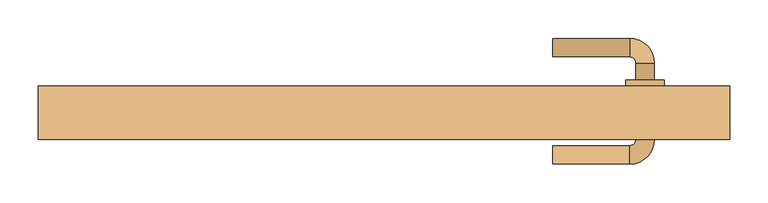
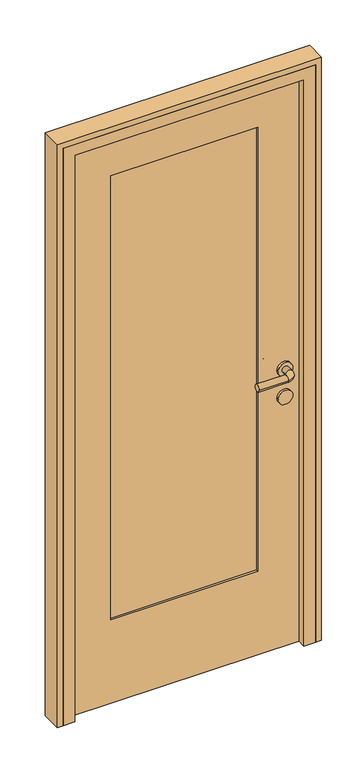
"""IFC4 building model written with IfcOpenShell, lengths in millimetres: door geometry."""

from ifc_helpers import new_model, si_unit, point, frame, frame_2d, origin, place, context, project, spatial, polyline, circle_curve, ellipse_curve, trimmed, segment, composite_curve, outline, extrude, faceted_brep, source, transform, mapped, element, save
from ifc_brep_helpers import plane_surface, cylinder_surface, revolved_surface, advanced_brep


def door_4fcff40a(model_context):
    return source(origin(), model_context, "Body", "SolidModel", [
        advanced_brep(
        [(220.0, 187.0, 1000.0), (220.0, 163.0, 1000.0), (320.0, 163.0, 1000.0), (320.0, 187.0, 1000.0), (328.0, 155.0, 1000.0), (352.0, 155.0, 1000.0), (352.0, 55.0, 1000.0), (352.0, 77.0, 1000.0), (328.0, 77.0, 1000.0), (328.0, 55.0, 1000.0), (328.0, 133.0, 1000.0), (352.0, 133.0, 1000.0), (320.0, 47.0, 1000.0), (320.0, 23.0, 1000.0), (220.0, 23.0, 1000.0), (220.0, 47.0, 1000.0), (365.0, 133.0, 1000.0), (315.0, 133.0, 1000.0), (365.0, 77.0, 1000.0), (315.0, 77.0, 1000.0)],
        [
            (0, 1, circle_curve(frame((220.0, 175.0, 1000.0), z_axis=(-1.0, 0.0, 0.0), x_axis=(0.0, -1.0, 0.0)), 12.0)),
            (1, 0, circle_curve(frame((220.0, 175.0, 1000.0), z_axis=(-1.0, 0.0, 0.0), x_axis=(0.0, -1.0, 0.0)), 12.0)),
            (1, 2),
            (2, 3, circle_curve(frame((320.0, 175.0, 1000.0), z_axis=(-1.0, 0.0, 0.0), x_axis=(0.0, -1.0, 0.0)), 12.0)),
            (3, 0),
            (3, 2, circle_curve(frame((320.0, 175.0, 1000.0), z_axis=(-1.0, 0.0, 0.0), x_axis=(0.0, -1.0, 0.0)), 12.0)),
            (2, 4, circle_curve(frame((320.0, 155.0, 1000.0), z_axis=(0.0, 0.0, -1.0), x_axis=(0.0, 1.0, 0.0)), 8.0)),
            (4, 5, circle_curve(frame((340.0, 155.0, 1000.0), z_axis=(0.0, 1.0, 0.0), x_axis=(-1.0, 0.0, 0.0)), 12.0)),
            (5, 3, circle_curve(frame((320.0, 155.0, 1000.0), z_axis=(0.0, 0.0, 1.0), x_axis=(0.0, 1.0, 0.0)), 32.0)),
            (5, 4, circle_curve(frame((340.0, 155.0, 1000.0), z_axis=(0.0, 1.0, 0.0), x_axis=(-1.0, 0.0, 0.0)), 12.0)),
            (6, 7),
            (7, 8, circle_curve(frame((340.0, 77.0, 1000.0), z_axis=(0.0, -1.0, 0.0), x_axis=(-1.0, 0.0, 0.0)), 12.0)),
            (8, 9),
            (9, 6, circle_curve(frame((340.0, 55.0, 1000.0), z_axis=(0.0, 1.0, 0.0), x_axis=(-1.0, 0.0, 0.0)), 12.0)),
            (4, 10),
            (10, 11, circle_curve(frame((340.0, 133.0, 1000.0), z_axis=(0.0, 1.0, 0.0), x_axis=(-1.0, 0.0, 0.0)), 12.0)),
            (11, 5),
            (11, 10, circle_curve(frame((340.0, 133.0, 1000.0), z_axis=(0.0, 1.0, 0.0), x_axis=(-1.0, 0.0, 0.0)), 12.0)),
            (8, 7, circle_curve(frame((340.0, 77.0, 1000.0), z_axis=(0.0, -1.0, 0.0), x_axis=(-1.0, 0.0, 0.0)), 12.0)),
            (6, 9, circle_curve(frame((340.0, 55.0, 1000.0), z_axis=(0.0, 1.0, 0.0), x_axis=(-1.0, 0.0, 0.0)), 12.0)),
            (9, 12, circle_curve(frame((320.0, 55.0, 1000.0), z_axis=(0.0, 0.0, -1.0), x_axis=(1.0, 0.0, 0.0)), 8.0)),
            (12, 13, circle_curve(frame((320.0, 35.0, 1000.0), z_axis=(1.0, 0.0, 0.0), x_axis=(0.0, 1.0, 0.0)), 12.0)),
            (13, 6, circle_curve(frame((320.0, 55.0, 1000.0), z_axis=(0.0, 0.0, 1.0), x_axis=(1.0, 0.0, 0.0)), 32.0)),
            (13, 12, circle_curve(frame((320.0, 35.0, 1000.0), z_axis=(1.0, 0.0, 0.0), x_axis=(0.0, 1.0, 0.0)), 12.0)),
            (14, 15, circle_curve(frame((220.0, 35.0, 1000.0), z_axis=(-1.0, 0.0, 0.0), x_axis=(0.0, 1.0, 0.0)), 12.0)),
            (15, 14, circle_curve(frame((220.0, 35.0, 1000.0), z_axis=(-1.0, 0.0, 0.0), x_axis=(0.0, 1.0, 0.0)), 12.0)),
            (12, 15),
            (14, 13),
            (16, 17, circle_curve(frame((340.0, 133.0, 1000.0), z_axis=(0.0, 1.0, 0.0), x_axis=(-1.0, 0.0, 0.0)), 25.0)),
            (17, 16, circle_curve(frame((340.0, 133.0, 1000.0), z_axis=(0.0, 1.0, 0.0), x_axis=(-1.0, 0.0, 0.0)), 25.0)),
            (18, 19, circle_curve(frame((340.0, 77.0, 1000.0), z_axis=(0.0, -1.0, 0.0), x_axis=(-1.0, 0.0, 0.0)), 25.0)),
            (19, 18, circle_curve(frame((340.0, 77.0, 1000.0), z_axis=(0.0, -1.0, 0.0), x_axis=(-1.0, 0.0, 0.0)), 25.0)),
            (16, 18),
            (19, 17),
        ],
        [
            plane_surface(frame((220.0, 175.0, 1000.0), z_axis=(-1.0, 0.0, 0.0), x_axis=(0.0, 0.0, 1.0))),
            cylinder_surface(frame((220.0, 175.0, 1000.0), z_axis=(-1.0, 0.0, 0.0), x_axis=(0.0, -1.0, 0.0)), 12.0),
            revolved_surface(trimmed(ellipse_curve(frame((320.0, 175.0, 1000.0), z_axis=(1.0, 0.0, 0.0), x_axis=(0.0, -1.0, 0.0)), 12.0, 12.0), [point((320.0, 187.0, 1000.0))], [point((320.0, 163.0, 1000.0))], True, "CARTESIAN"), (320.0, 155.0, 1000.0), (0.0, 0.0, 1.0)),
            revolved_surface(trimmed(ellipse_curve(frame((320.0, 175.0, 1000.0), z_axis=(1.0, 0.0, 0.0), x_axis=(0.0, -1.0, 0.0)), 12.0, 12.0), [point((320.0, 163.0, 1000.0))], [point((320.0, 187.0, 1000.0))], True, "CARTESIAN"), (320.0, 155.0, 1000.0), (0.0, 0.0, 1.0)),
            cylinder_surface(frame((340.0, 155.0, 1000.0), z_axis=(0.0, 1.0, 0.0), x_axis=(-1.0, 0.0, 0.0)), 12.0),
            revolved_surface(trimmed(ellipse_curve(frame((340.0, 55.0, 1000.0), z_axis=(0.0, -1.0, 0.0), x_axis=(-1.0, 0.0, 0.0)), 12.0, 12.0), [point((352.0, 55.0, 1000.0))], [point((328.0, 55.0, 1000.0))], True, "CARTESIAN"), (320.0, 55.0, 1000.0), (0.0, 0.0, 1.0)),
            revolved_surface(trimmed(ellipse_curve(frame((340.0, 55.0, 1000.0), z_axis=(0.0, -1.0, 0.0), x_axis=(-1.0, 0.0, 0.0)), 12.0, 12.0), [point((328.0, 55.0, 1000.0))], [point((352.0, 55.0, 1000.0))], True, "CARTESIAN"), (320.0, 55.0, 1000.0), (0.0, 0.0, 1.0)),
            plane_surface(frame((220.0, 35.0, 1000.0), z_axis=(-1.0, 0.0, 0.0), x_axis=(0.0, 0.0, 1.0))),
            cylinder_surface(frame((320.0, 35.0, 1000.0), z_axis=(1.0, 0.0, 0.0), x_axis=(0.0, 1.0, 0.0)), 12.0),
            plane_surface(frame((315.0, 133.0, 1000.0), z_axis=(0.0, 1.0, 0.0), x_axis=(0.0, 0.0, -1.0))),
            plane_surface(frame((315.0, 77.0, 1000.0), z_axis=(0.0, -1.0, 0.0), x_axis=(0.0, 0.0, 1.0))),
            cylinder_surface(frame((340.0, 133.0, 1000.0), z_axis=(0.0, -1.0, 0.0), x_axis=(-1.0, 0.0, 0.0)), 25.0),
        ],
        [
            (0, [[1, 2]]),
            (1, [[3, 4, 5, -2]]),
            (1, [[-5, 6, -3, -1]]),
            (2, [[7, 8, 9, -4]]),
            (3, [[-9, 10, -7, -6]]),
            (4, [[11, 12, 13, 14]]),
            (4, [[15, 16, 17, -8]]),
            (4, [[-17, 18, -15, -10]]),
            (4, [[-13, 19, -11, 20]]),
            (5, [[21, 22, 23, -14]]),
            (6, [[-23, 24, -21, -20]]),
            (7, [[25, 26]]),
            (8, [[27, -25, 28, -22]]),
            (8, [[-28, -26, -27, -24]]),
            (9, [[29, 30], [-18, -16]]),
            (10, [[31, 32], [-19, -12]]),
            (11, [[33, -32, 34, -29]]),
            (11, [[-34, -31, -33, -30]]),
        ],
    ),
        extrude(outline(composite_curve([segment(trimmed(circle_curve(frame_2d((900.0, 340.0)), 25.0), [point((900.0, 365.0))], [point((900.0, 315.0))], False, "CARTESIAN"), True, "CONTINUOUS"), segment(trimmed(circle_curve(frame_2d((900.0, 340.0)), 25.0), [point((900.0, 315.0))], [point((900.0, 365.0))], False, "CARTESIAN"), True, "CONTINUOUS")], self_intersect=False)), frame((0.0, 77.0, 0.0), z_axis=(0.0, 1.0, 0.0), x_axis=(0.0, 0.0, 1.0)), (0.0, 0.0, 1.0), 56.0),
        extrude(outline(polyline([(-250.0, 117.0), (250.0, 117.0), (250.0, 93.0), (-250.0, 93.0), (-250.0, 117.0)])), frame((0.0, 0.0, 300.0), z_axis=(0.0, 0.0, 1.0), x_axis=(1.0, 0.0, 0.0)), (0.0, 0.0, 1.0), 1600.0),
        extrude(outline(polyline([(0.0, -400.0), (0.0, 400.0), (2050.0, 400.0), (2050.0, -400.0), (0.0, -400.0)]), holes=[polyline([(300.0, 250.0), (300.0, -250.0), (1900.0, -250.0), (1900.0, 250.0), (300.0, 250.0)])]), frame((0.0, 85.0, 0.0), z_axis=(0.0, 1.0, 0.0), x_axis=(0.0, 0.0, 1.0)), (0.0, 0.0, 1.0), 40.0),
        extrude(outline(polyline([(0.0, 450.0), (2100.0, 450.0), (2100.0, -450.0), (0.0, -450.0), (0.0, -430.0), (2080.0, -430.0), (2080.0, 430.0), (0.0, 430.0), (0.0, 450.0)])), frame((0.0, 55.0, 0.0), z_axis=(0.0, 1.0, 0.0), x_axis=(0.0, 0.0, 1.0)), (0.0, 0.0, 1.0), 70.0),
        faceted_brep([(-430.0, 55.0, 0.0), (-430.0, 125.0, 0.0), (-400.0, 125.0, 0.0), (-400.0, 85.0, 0.0), (-390.0, 85.0, 0.0), (-390.0, 55.0, 0.0), (-430.0, 55.0, 2080.0), (-430.0, 125.0, 2080.0), (430.0, 125.0, 2080.0), (430.0, 125.0, 0.0), (400.0, 125.0, 0.0), (400.0, 125.0, 2050.0), (-400.0, 125.0, 2050.0), (-400.0, 85.0, 2050.0), (400.0, 85.0, 2050.0), (400.0, 85.0, 0.0), (390.0, 85.0, 0.0), (390.0, 85.0, 2040.0), (-390.0, 85.0, 2040.0), (-390.0, 55.0, 2040.0), (390.0, 55.0, 2040.0), (390.0, 55.0, 0.0), (430.0, 55.0, 0.0), (430.0, 55.0, 2080.0)], [[[0, 1, 2, 3, 4, 5]], [[1, 0, 6, 7]], [[2, 1, 7, 8, 9, 10, 11, 12]], [[3, 2, 12, 13]], [[4, 3, 13, 14, 15, 16, 17, 18]], [[5, 4, 18, 19]], [[0, 5, 19, 20, 21, 22, 23, 6]], [[7, 6, 23, 8]], [[13, 12, 11, 14]], [[19, 18, 17, 20]], [[22, 21, 16, 15, 10, 9]], [[8, 23, 22, 9]], [[14, 11, 10, 15]], [[20, 17, 16, 21]]]),
    ])


if __name__ == "__main__":
    model = new_model("IFC4")
    model_context = context("Model", 3, world=origin())
    ifc_project = project(units=[si_unit("LENGTHUNIT", "METRE", prefix="MILLI")], contexts=[model_context])
    site = spatial("IfcSite", under=ifc_project)
    building = spatial("IfcBuilding", under=site)
    placement = place(None, origin())
    door_shape = door_4fcff40a(model_context)
    element("IfcDoor", 1, at=placement, inside=building, context=model_context, shape_type="MappedRepresentation", body=[
        mapped(door_shape, transform((0.0, 0.0, 0.0), x_axis=(1.0, 0.0, 0.0), y_axis=(0.0, 1.0, 0.0), z_axis=(0.0, 0.0, 1.0))),
    ])
    save(model, "model.ifc")
